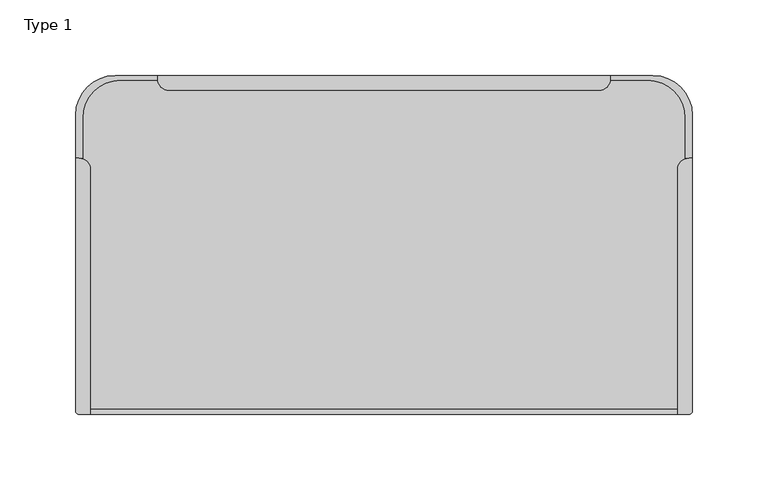
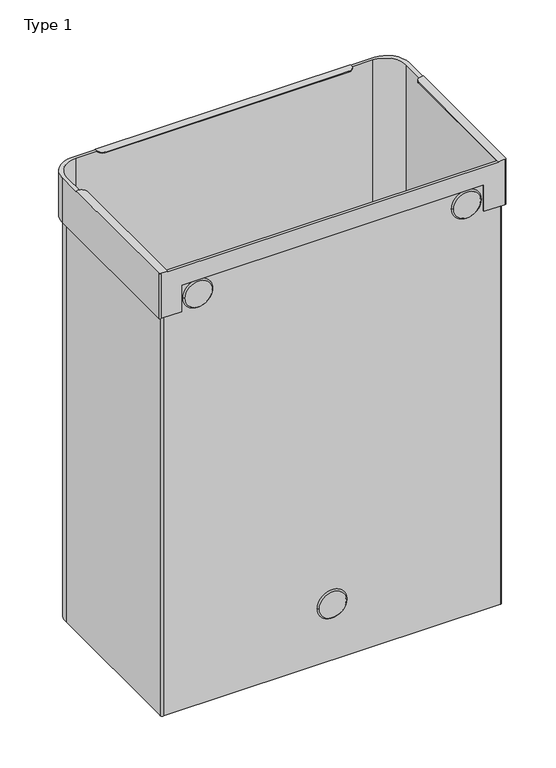
"""IFC4 building model written with IfcOpenShell, lengths in millimetres: furniture geometry, Type 1."""

from ifc_helpers import new_model, si_unit, point, frame, frame_2d, origin, place, context, project, spatial, polyline, circle_curve, trimmed, segment, composite_curve, outline, extrude, source, transform, mapped, element, save
from ifc_brep_helpers import plane_surface, cylinder_surface, revolved_surface, advanced_brep


def type_1_9fc9903c(model_context):
    return source(origin(), model_context, "Body", "SolidModel", [
        advanced_brep(
        [(328.5000019, 273.6750099, 550.0000042), (302.5000019, 299.6750099, 550.0000042), (274.5000016, 299.6750099, 550.0000042), (274.5000016, 297.6750206, 550.0000042), (274.4347669, 296.6748413, 550.0000042), (299.0000021, 296.6748413, 550.0000042), (324.0000021, 271.6748413, 550.0000042), (324.0000021, 244.757705, 550.0000042), (326.5000013, 245.1748482, 550.0000042), (328.5000019, 245.1748482, 550.0000042), (-52.5000144, 299.6750099, 550.0000042), (-78.5000144, 273.6750099, 550.0000042), (-78.5000144, 245.1748482, 550.0000042), (-76.5000013, 245.1748482, 550.0000042), (-74.00001, 244.7577078, 550.0000042), (-74.00001, 271.6748413, 550.0000042), (-49.00001, 296.6748413, 550.0000042), (-24.4347692, 296.6748413, 550.0000042), (-24.5000038, 297.6750206, 550.0000042), (-24.5000038, 299.6750099, 550.0000042), (318.8000013, 79.1748672, 550.0000042), (-68.8000013, 79.1748672, 550.0000042), (-68.8000013, 76.0, 550.0000042), (318.8000013, 76.0, 550.0000042), (328.5000019, 78.0, 494.999982), (326.5000019, 76.0, 494.999982), (302.0000025, 76.0, 494.999982), (302.0000025, 78.1748672, 494.999982), (322.5000021, 78.1748672, 494.999982), (325.0000021, 80.6748672, 494.999982), (325.0000021, 271.6748413, 494.999982), (299.0000021, 297.6748413, 494.999982), (-49.00001, 297.6748413, 494.999982), (-75.00001, 271.6748413, 494.999982), (-75.00001, 80.6748672, 494.999982), (-72.50001, 78.1748672, 494.999982), (-52.5000144, 78.1748672, 494.999982), (-52.5000144, 76.0, 494.999982), (-76.5000144, 76.0, 494.999982), (-78.5000144, 78.0, 494.999982), (-78.5000144, 273.6750099, 494.999982), (-52.5000144, 299.6750099, 494.999982), (302.5000019, 299.6750099, 494.999982), (328.5000019, 273.6750099, 494.999982), (328.5000019, 245.1748482, 551.0000158), (328.5000019, 78.0, 551.0000158), (328.5000019, 78.0, 550.0000042), (-24.5000038, 299.6750099, 551.0000158), (274.5000016, 299.6750099, 551.0000158), (-78.5000144, 78.0, 550.0000042), (-78.5000144, 78.0, 551.0000158), (-78.5000144, 245.1748482, 551.0000158), (-76.5000144, 76.0, 550.0000042), (-52.5000144, 76.0, 527.9166501), (302.0000025, 76.0, 527.9166501), (326.5000019, 76.0, 550.0000042), (326.5000019, 76.0, 551.0000158), (318.8000013, 76.0, 551.0000158), (-68.8000013, 76.0, 551.0000158), (-76.5000019, 76.0, 551.0000158), (325.0000021, 80.6748672, 0.0), (322.5000021, 78.1748672, 0.0), (-72.50001, 78.1748672, 0.0), (-75.00001, 80.6748672, 0.0), (-75.00001, 271.6748413, 0.0), (-49.00001, 297.6748413, 0.0), (299.0000021, 297.6748413, 0.0), (325.0000021, 271.6748413, 0.0), (324.0000021, 271.6748413, 0.0), (299.0000021, 296.6748413, 0.0), (-49.00001, 296.6748413, 0.0), (-74.00001, 271.6748413, 0.0), (-74.00001, 80.6748672, 0.0), (-72.50001, 79.1748672, 0.0), (322.5000021, 79.1748672, 0.0), (324.0000021, 80.6748672, 0.0), (302.0000025, 78.1748672, 527.9166501), (-52.5000144, 78.1748672, 527.9166501), (324.0000021, 80.6748672, 550.0000042), (322.5000021, 79.1748672, 550.0000042), (-72.50001, 79.1748672, 550.0000042), (-74.00001, 80.6748672, 550.0000042), (-24.5000038, 297.6750206, 551.0000158), (-16.8000038, 289.9750206, 551.0000158), (266.8000016, 289.9750206, 551.0000158), (274.5000016, 297.6750206, 551.0000158), (318.8000013, 237.4748482, 551.0000158), (326.5000013, 245.1748482, 551.0000158), (-68.8000013, 237.4748482, 551.0000158), (-76.5000013, 245.1748482, 551.0000158), (266.8000016, 289.9750206, 550.0000042), (-16.8000038, 289.9750206, 550.0000042), (318.8000013, 237.4748482, 550.0000042), (-68.8000013, 237.4748482, 550.0000042)],
        [
            (0, 1, circle_curve(frame((302.5000019, 273.6750099, 550.0000042), z_axis=(0.0, 0.0, 1.0), x_axis=(-1.0, 0.0, 0.0)), 26.0)),
            (1, 2),
            (2, 3),
            (3, 4, circle_curve(frame((266.8000016, 297.6750206, 550.0000042), z_axis=(0.0, 0.0, -1.0), x_axis=(-1.0, 0.0, 0.0)), 7.7)),
            (4, 5),
            (5, 6, circle_curve(frame((299.0000021, 271.6748413, 550.0000042), z_axis=(0.0, 0.0, -1.0), x_axis=(-1.0, 0.0, 0.0)), 25.0)),
            (6, 7),
            (7, 8, circle_curve(frame((326.5000013, 237.4748482, 550.0000042), z_axis=(0.0, 0.0, -1.0), x_axis=(-1.0, 0.0, 0.0)), 7.7)),
            (8, 9),
            (9, 0),
            (10, 11, circle_curve(frame((-52.5000144, 273.6750099, 550.0000042), z_axis=(0.0, 0.0, 1.0), x_axis=(-1.0, 0.0, 0.0)), 26.0)),
            (11, 12),
            (12, 13),
            (13, 14, circle_curve(frame((-76.5000013, 237.4748482, 550.0000042), z_axis=(0.0, 0.0, -1.0), x_axis=(1.0, 0.0, 0.0)), 7.7)),
            (14, 15),
            (15, 16, circle_curve(frame((-49.00001, 271.6748413, 550.0000042), z_axis=(0.0, 0.0, -1.0), x_axis=(-1.0, 0.0, 0.0)), 25.0)),
            (16, 17),
            (17, 18, circle_curve(frame((-16.8000038, 297.6750206, 550.0000042), z_axis=(0.0, 0.0, -1.0), x_axis=(-1.0, 0.0, 0.0)), 7.7)),
            (18, 19),
            (19, 10),
            (20, 21),
            (21, 22),
            (22, 23),
            (23, 20),
            (24, 25, circle_curve(frame((326.5000019, 78.0, 494.999982), z_axis=(0.0, 0.0, -1.0), x_axis=(-1.0, 0.0, 0.0)), 2.0)),
            (25, 26),
            (26, 27),
            (27, 28),
            (28, 29, circle_curve(frame((322.5000021, 80.6748672, 494.999982), z_axis=(0.0, 0.0, 1.0), x_axis=(-1.0, 0.0, 0.0)), 2.5)),
            (29, 30),
            (30, 31, circle_curve(frame((299.0000021, 271.6748413, 494.999982), z_axis=(0.0, 0.0, 1.0), x_axis=(-1.0, 0.0, 0.0)), 26.0)),
            (31, 32),
            (32, 33, circle_curve(frame((-49.00001, 271.6748413, 494.999982), z_axis=(0.0, 0.0, 1.0), x_axis=(-1.0, 0.0, 0.0)), 26.0)),
            (33, 34),
            (34, 35, circle_curve(frame((-72.50001, 80.6748672, 494.999982), z_axis=(0.0, 0.0, 1.0), x_axis=(-1.0, 0.0, 0.0)), 2.5)),
            (35, 36),
            (36, 37),
            (37, 38),
            (38, 39, circle_curve(frame((-76.5000144, 78.0, 494.999982), z_axis=(0.0, 0.0, -1.0), x_axis=(-1.0, 0.0, 0.0)), 2.0)),
            (39, 40),
            (40, 41, circle_curve(frame((-52.5000144, 273.6750099, 494.999982), z_axis=(0.0, 0.0, -1.0), x_axis=(-1.0, 0.0, 0.0)), 26.0)),
            (41, 42),
            (42, 43, circle_curve(frame((302.5000019, 273.6750099, 494.999982), z_axis=(0.0, 0.0, -1.0), x_axis=(-1.0, 0.0, 0.0)), 26.0)),
            (43, 24),
            (43, 0),
            (9, 44),
            (44, 45),
            (45, 46),
            (46, 24),
            (42, 1),
            (41, 10),
            (19, 47),
            (47, 48),
            (48, 2),
            (40, 11),
            (39, 49),
            (49, 50),
            (50, 51),
            (51, 12),
            (38, 52),
            (52, 49, circle_curve(frame((-76.5000144, 78.0, 550.0000042), z_axis=(0.0, 0.0, -1.0), x_axis=(-1.0, 0.0, 0.0)), 2.0)),
            (37, 53),
            (53, 54),
            (54, 26),
            (25, 55),
            (55, 56),
            (56, 57),
            (57, 23),
            (22, 58),
            (58, 59),
            (59, 52),
            (46, 55, circle_curve(frame((326.5000019, 78.0, 550.0000042), z_axis=(0.0, 0.0, -1.0), x_axis=(-1.0, 0.0, 0.0)), 2.0)),
            (60, 61, circle_curve(frame((322.5000021, 80.6748672, 0.0), z_axis=(0.0, 0.0, -1.0), x_axis=(-1.0, 0.0, 0.0)), 2.5)),
            (61, 62),
            (62, 63, circle_curve(frame((-72.50001, 80.6748672, 0.0), z_axis=(0.0, 0.0, -1.0), x_axis=(-1.0, 0.0, 0.0)), 2.5)),
            (63, 64),
            (64, 65, circle_curve(frame((-49.00001, 271.6748413, 0.0), z_axis=(0.0, 0.0, -1.0), x_axis=(-1.0, 0.0, 0.0)), 26.0)),
            (65, 66),
            (66, 67, circle_curve(frame((299.0000021, 271.6748413, 0.0), z_axis=(0.0, 0.0, -1.0), x_axis=(-1.0, 0.0, 0.0)), 26.0)),
            (67, 60),
            (68, 69, circle_curve(frame((299.0000021, 271.6748413, 0.0), z_axis=(0.0, 0.0, 1.0), x_axis=(-1.0, 0.0, 0.0)), 25.0)),
            (69, 70),
            (70, 71, circle_curve(frame((-49.00001, 271.6748413, 0.0), z_axis=(0.0, 0.0, 1.0), x_axis=(-1.0, 0.0, 0.0)), 25.0)),
            (71, 72),
            (72, 73, circle_curve(frame((-72.50001, 80.6748672, 0.0), z_axis=(0.0, 0.0, 1.0), x_axis=(-1.0, 0.0, 0.0)), 1.5)),
            (73, 74),
            (74, 75, circle_curve(frame((322.5000021, 80.6748672, 0.0), z_axis=(0.0, 0.0, 1.0), x_axis=(-1.0, 0.0, 0.0)), 1.5)),
            (75, 68),
            (67, 30),
            (29, 60),
            (66, 31),
            (65, 32),
            (64, 33),
            (63, 34),
            (62, 35),
            (61, 28),
            (27, 76),
            (76, 77),
            (77, 36),
            (75, 78),
            (78, 7),
            (6, 68),
            (74, 79),
            (79, 78, circle_curve(frame((322.5000021, 80.6748672, 550.0000042), z_axis=(0.0, 0.0, 1.0), x_axis=(-1.0, 0.0, 0.0)), 1.5)),
            (73, 80),
            (80, 21),
            (20, 79),
            (72, 81),
            (81, 80, circle_curve(frame((-72.50001, 80.6748672, 550.0000042), z_axis=(0.0, 0.0, 1.0), x_axis=(-1.0, 0.0, 0.0)), 1.5)),
            (71, 15),
            (14, 81),
            (70, 16),
            (69, 5),
            (4, 17),
            (53, 77),
            (76, 54),
            (47, 82),
            (82, 83, circle_curve(frame((-16.8000038, 297.6750206, 551.0000158), z_axis=(0.0, 0.0, 1.0), x_axis=(-1.0, 0.0, 0.0)), 7.7)),
            (83, 84),
            (84, 85, circle_curve(frame((266.8000016, 297.6750206, 551.0000158), z_axis=(0.0, 0.0, 1.0), x_axis=(-1.0, 0.0, 0.0)), 7.7)),
            (85, 48),
            (86, 57),
            (56, 45, circle_curve(frame((326.5000019, 78.0, 551.0000158), z_axis=(0.0, 0.0, 1.0), x_axis=(-1.0, 0.0, 0.0)), 2.0)),
            (44, 87),
            (87, 86, circle_curve(frame((326.5000013, 237.4748482, 551.0000158), z_axis=(0.0, 0.0, 1.0), x_axis=(-1.0, 0.0, 0.0)), 7.7)),
            (88, 89, circle_curve(frame((-76.5000013, 237.4748482, 551.0000158), z_axis=(0.0, 0.0, 1.0), x_axis=(1.0, 0.0, 0.0)), 7.7)),
            (89, 51),
            (50, 59, circle_curve(frame((-76.5000019, 78.0, 551.0000158), z_axis=(0.0, 0.0, 1.0), x_axis=(1.0, 0.0, 0.0)), 2.0)),
            (58, 88),
            (90, 91),
            (91, 17, circle_curve(frame((-16.8000038, 297.6750206, 550.0000042), z_axis=(0.0, 0.0, -1.0), x_axis=(-1.0, 0.0, 0.0)), 7.7)),
            (4, 90, circle_curve(frame((266.8000016, 297.6750206, 550.0000042), z_axis=(0.0, 0.0, -1.0), x_axis=(-1.0, 0.0, 0.0)), 7.7)),
            (92, 7, circle_curve(frame((326.5000013, 237.4748482, 550.0000042), z_axis=(0.0, 0.0, -1.0), x_axis=(-1.0, 0.0, 0.0)), 7.7)),
            (20, 92),
            (93, 21),
            (14, 93, circle_curve(frame((-76.5000013, 237.4748482, 550.0000042), z_axis=(0.0, 0.0, -1.0), x_axis=(1.0, 0.0, 0.0)), 7.7)),
            (18, 82),
            (91, 83),
            (90, 84),
            (3, 85),
            (86, 92),
            (8, 87),
            (88, 93),
            (13, 89),
        ],
        [
            plane_surface(frame((320.0000021, 80.6748672, 550.0000042), z_axis=(0.0, 0.0, 1.0), x_axis=(0.0, 1.0, 0.0))),
            plane_surface(frame((320.0000021, 80.6748672, 494.999982), z_axis=(0.0, 0.0, -1.0), x_axis=(0.0, -1.0, 0.0))),
            plane_surface(frame((328.5000019, 78.0, 550.0000042), z_axis=(1.0, 0.0, 0.0), x_axis=(0.0, 0.0, -1.0))),
            cylinder_surface(frame((302.5000019, 273.6750099, 447.0), z_axis=(0.0, 0.0, 1.0), x_axis=(-1.0, 0.0, 0.0)), 26.0),
            plane_surface(frame((302.5000019, 299.6750099, 550.0000042), z_axis=(0.0, 1.0, 0.0), x_axis=(0.0, 0.0, -1.0))),
            cylinder_surface(frame((-52.5000144, 273.6750099, 447.0), z_axis=(0.0, 0.0, 1.0), x_axis=(-1.0, 0.0, 0.0)), 26.0),
            plane_surface(frame((-78.5000144, 273.6750099, 550.0000042), z_axis=(-1.0, 0.0, 0.0), x_axis=(0.0, 0.0, -1.0))),
            cylinder_surface(frame((-76.5000144, 78.0, 447.0), z_axis=(0.0, 0.0, 1.0), x_axis=(-1.0, 0.0, 0.0)), 2.0),
            plane_surface(frame((-76.5000144, 76.0, 550.0000042), z_axis=(0.0, -1.0, 0.0), x_axis=(0.0, 0.0, -1.0))),
            cylinder_surface(frame((326.5000019, 78.0, 447.0), z_axis=(0.0, 0.0, 1.0), x_axis=(-1.0, 0.0, 0.0)), 2.0),
            plane_surface(frame((325.0000021, 271.6749748, 0.0), z_axis=(0.0, 0.0, -1.0), x_axis=(0.0, -1.0, 0.0))),
            plane_surface(frame((325.0000021, 80.6748672, 550.0000042), z_axis=(1.0, 0.0, 0.0), x_axis=(0.0, 0.0, -1.0))),
            cylinder_surface(frame((299.0000021, 271.6748413, 0.0), z_axis=(0.0, 0.0, 1.0), x_axis=(-1.0, 0.0, 0.0)), 26.0),
            plane_surface(frame((299.0000021, 297.6748413, 550.0000042), z_axis=(0.0, 1.0, 0.0), x_axis=(0.0, 0.0, -1.0))),
            cylinder_surface(frame((-49.00001, 271.6748413, 0.0), z_axis=(0.0, 0.0, 1.0), x_axis=(-1.0, 0.0, 0.0)), 26.0),
            plane_surface(frame((-75.00001, 271.6748413, 550.0000042), z_axis=(-1.0, 0.0, 0.0), x_axis=(0.0, 0.0, -1.0))),
            cylinder_surface(frame((-72.50001, 80.6748672, 0.0), z_axis=(0.0, 0.0, 1.0), x_axis=(-1.0, 0.0, 0.0)), 2.5),
            plane_surface(frame((-72.50001, 78.1748672, 550.0000042), z_axis=(0.0, -1.0, 0.0), x_axis=(0.0, 0.0, -1.0))),
            cylinder_surface(frame((322.5000021, 80.6748672, 0.0), z_axis=(0.0, 0.0, 1.0), x_axis=(-1.0, 0.0, 0.0)), 2.5),
            plane_surface(frame((324.0000021, 271.6748413, 550.0000042), z_axis=(-1.0, 0.0, 0.0), x_axis=(0.0, 0.0, -1.0))),
            revolved_surface(polyline([(321.0000021, 80.6748672, 0.0), (321.0000021, 80.6748672, 550.0000042)]), (322.5000021, 80.6748672, 447.0), (0.0, 0.0, -1.0)),
            plane_surface(frame((322.5000021, 79.1748672, 550.0000042), z_axis=(0.0, 1.0, 0.0), x_axis=(0.0, 0.0, -1.0))),
            revolved_surface(polyline([(-74.00001, 80.6748672, 0.0), (-74.00001, 80.6748672, 550.0000042)]), (-72.50001, 80.6748672, 447.0), (0.0, 0.0, -1.0)),
            plane_surface(frame((-74.00001, 80.6748672, 550.0000042), z_axis=(1.0, 0.0, 0.0), x_axis=(0.0, 0.0, -1.0))),
            revolved_surface(polyline([(-74.00001, 271.6748413, 0.0), (-74.00001, 271.6748413, 550.0000042)]), (-49.00001, 271.6748413, 447.0), (0.0, 0.0, -1.0)),
            plane_surface(frame((-49.00001, 296.6748413, 550.0000042), z_axis=(0.0, -1.0, 0.0), x_axis=(0.0, 0.0, -1.0))),
            revolved_surface(polyline([(274.0000021, 271.6748413, 0.0), (274.0000021, 271.6748413, 550.0000042)]), (299.0000021, 271.6748413, 447.0), (0.0, 0.0, -1.0)),
            plane_surface(frame((-52.5000144, 78.1748672, 527.9166501), z_axis=(0.0, 0.0, -1.0), x_axis=(0.0, -1.0, 0.0))),
            plane_surface(frame((302.0000025, 78.1748672, 527.9166501), z_axis=(-1.0, 0.0, 0.0), x_axis=(0.0, -1.0, 0.0))),
            plane_surface(frame((-52.5000144, 78.1748672, 487.9166501), z_axis=(1.0, 0.0, 0.0), x_axis=(0.0, -1.0, 0.0))),
            plane_surface(frame((-24.5000038, 299.6750099, 551.0000158), z_axis=(0.0, 0.0, 1.0), x_axis=(0.0, -1.0, 0.0))),
            plane_surface(frame((-24.5000038, 299.6750099, 550.0000042), z_axis=(0.0, 0.0, -1.0), x_axis=(0.0, 1.0, 0.0))),
            plane_surface(frame((-24.5000038, 299.6750099, 551.0000158), z_axis=(-1.0, 0.0, 0.0), x_axis=(0.0, 0.0, -1.0))),
            cylinder_surface(frame((-16.8000038, 297.6750206, 550.0000042), z_axis=(0.0, 0.0, 1.0), x_axis=(-1.0, 0.0, 0.0)), 7.7),
            plane_surface(frame((-16.8000038, 289.9750206, 551.0000158), z_axis=(0.0, -1.0, 0.0), x_axis=(0.0, 0.0, -1.0))),
            cylinder_surface(frame((266.8000016, 297.6750206, 550.0000042), z_axis=(0.0, 0.0, 1.0), x_axis=(-1.0, 0.0, 0.0)), 7.7),
            plane_surface(frame((274.5000016, 297.6750206, 551.0000158), z_axis=(1.0, 0.0, 0.0), x_axis=(0.0, 0.0, -1.0))),
            plane_surface(frame((318.8000013, 237.4748482, 551.0000158), z_axis=(-1.0, 0.0, 0.0), x_axis=(0.0, 0.0, -1.0))),
            plane_surface(frame((328.5000019, 245.1748482, 551.0000158), z_axis=(0.0, 1.0, 0.0), x_axis=(0.0, 0.0, -1.0))),
            cylinder_surface(frame((326.5000013, 237.4748482, 447.0), z_axis=(0.0, 0.0, 1.0), x_axis=(-1.0, 0.0, 0.0)), 7.7),
            cylinder_surface(frame((-76.5000013, 237.4748482, 447.0), z_axis=(0.0, 0.0, 1.0), x_axis=(1.0, 0.0, 0.0)), 7.7),
            plane_surface(frame((-76.5000013, 245.1748482, 551.0000158), z_axis=(0.0, 1.0, 0.0), x_axis=(0.0, 0.0, -1.0))),
            cylinder_surface(frame((-76.5000019, 78.0, 447.0), z_axis=(0.0, 0.0, 1.0), x_axis=(1.0, 0.0, 0.0)), 2.0),
            plane_surface(frame((-68.8000013, 76.0, 551.0000158), z_axis=(1.0, 0.0, 0.0), x_axis=(0.0, 0.0, -1.0))),
        ],
        [
            (0, [[1, 2, 3, 4, 5, 6, 7, 8, 9, 10]]),
            (0, [[11, 12, 13, 14, 15, 16, 17, 18, 19, 20]]),
            (0, [[21, 22, 23, 24]]),
            (1, [[25, 26, 27, 28, 29, 30, 31, 32, 33, 34, 35, 36, 37, 38, 39, 40, 41, 42, 43, 44]]),
            (2, [[-44, 45, -10, 46, 47, 48, 49]]),
            (3, [[-1, -45, -43, 50]]),
            (4, [[-42, 51, -20, 52, 53, 54, -2, -50]]),
            (5, [[-11, -51, -41, 55]]),
            (6, [[-40, 56, 57, 58, 59, -12, -55]]),
            (7, [[-39, 60, 61, -56]]),
            (8, [[-60, -38, 62, 63, 64, -26, 65, 66, 67, 68, -23, 69, 70, 71]]),
            (9, [[-25, -49, 72, -65]]),
            (10, [[73, 74, 75, 76, 77, 78, 79, 80], [81, 82, 83, 84, 85, 86, 87, 88]]),
            (11, [[-80, 89, -30, 90]]),
            (12, [[-79, 91, -31, -89]]),
            (13, [[-78, 92, -32, -91]]),
            (14, [[-77, 93, -33, -92]]),
            (15, [[-76, 94, -34, -93]]),
            (16, [[-75, 95, -35, -94]]),
            (17, [[-74, 96, -28, 97, 98, 99, -36, -95]]),
            (18, [[-73, -90, -29, -96]]),
            (19, [[-88, 100, 101, -7, 102]]),
            (20, [[-87, 103, 104, -100]]),
            (21, [[-86, 105, 106, -21, 107, -103]]),
            (22, [[-85, 108, 109, -105]]),
            (23, [[-84, 110, -15, 111, -108]]),
            (24, [[-16, -110, -83, 112]]),
            (25, [[-82, 113, -5, 114, -17, -112]]),
            (26, [[-6, -113, -81, -102]]),
            (27, [[115, -98, 116, -63]]),
            (28, [[-116, -97, -27, -64]]),
            (29, [[-115, -62, -37, -99]]),
            (30, [[117, 118, 119, 120, 121, -53]]),
            (30, [[122, -67, 123, -47, 124, 125]]),
            (30, [[126, 127, -58, 128, -70, 129]]),
            (31, [[130, 131, -114, 132]]),
            (31, [[133, -101, -104, -107, 134]]),
            (31, [[135, -106, -109, -111, 136]]),
            (32, [[-117, -52, -19, 137]]),
            (33, [[-118, -137, -18, -131, 138]]),
            (34, [[-119, -138, -130, 139]]),
            (35, [[-120, -139, -132, -4, 140]]),
            (36, [[-121, -140, -3, -54]]),
            (37, [[-122, 141, -134, -24, -68]]),
            (9, [[-123, -66, -72, -48]]),
            (38, [[-124, -46, -9, 142]]),
            (39, [[-125, -142, -8, -133, -141]]),
            (40, [[-126, 143, -136, -14, 144]]),
            (41, [[-127, -144, -13, -59]]),
            (42, [[-128, -57, -61, -71]]),
            (43, [[-129, -69, -22, -135, -143]]),
        ],
    ),
        advanced_brep(
        [(140.874998, 76.0, 70.0000014), (109.125002, 76.0, 70.0000014), (143.0499999, 78.1748672, 70.0000014), (106.9500001, 78.1748672, 70.0000014)],
        [
            (0, 1, circle_curve(frame((125.0, 76.0, 70.0000014), z_axis=(0.0, -1.0, 0.0), x_axis=(1.0, 0.0, 0.0)), 15.874998)),
            (1, 0, circle_curve(frame((125.0, 76.0, 70.0000014), z_axis=(0.0, -1.0, 0.0), x_axis=(-1.0, 0.0, 0.0)), 15.874998)),
            (2, 3, circle_curve(frame((125.0, 78.1748672, 70.0000014), z_axis=(0.0, 1.0, 0.0), x_axis=(-1.0, 0.0, 0.0)), 18.0499999)),
            (3, 2, circle_curve(frame((125.0, 78.1748672, 70.0000014), z_axis=(0.0, 1.0, 0.0), x_axis=(1.0, 0.0, 0.0)), 18.0499999)),
            (2, 0),
            (1, 3),
        ],
        [
            plane_surface(frame((125.0, 76.0, 70.0000014), z_axis=(0.0, -1.0, 0.0), x_axis=(0.0, 0.0, -1.0))),
            plane_surface(frame((125.0, 78.1748672, 70.0000014), z_axis=(0.0, 1.0, 0.0), x_axis=(0.0, 0.0, -1.0))),
            revolved_surface(polyline([(109.12500194526733, 76.0, 70.0000014), (106.9500001, 78.1748672, 70.0000014)]), (125.0, 60.1259847, 70.0000014), (0.0, 1.0, 0.0)),
            revolved_surface(polyline([(140.87499805473266, 76.0, 70.0000014), (143.0499999, 78.1748672, 70.0000014)]), (125.0, 60.1259847, 70.0000014), (0.0, 1.0, 0.0)),
        ],
        [
            (0, [[1, 2]]),
            (1, [[3, 4]]),
            (2, [[-3, 5, -2, 6]]),
            (3, [[-4, -6, -1, -5]]),
        ],
    ),
        advanced_brep(
        [(-48.3749994, 76.0, 509.999993), (-16.6250034, 76.0, 509.999993), (-50.5500013, 78.1748672, 509.999993), (-14.4500015, 78.1748672, 509.999993)],
        [
            (0, 1, circle_curve(frame((-32.5000014, 76.0, 509.999993), z_axis=(0.0, -1.0, 0.0), x_axis=(-1.0, 0.0, 0.0)), 15.874998)),
            (1, 0, circle_curve(frame((-32.5000014, 76.0, 509.999993), z_axis=(0.0, -1.0, 0.0), x_axis=(1.0, 0.0, 0.0)), 15.874998)),
            (2, 3, circle_curve(frame((-32.5000014, 78.1748672, 509.999993), z_axis=(0.0, 1.0, 0.0), x_axis=(1.0, 0.0, 0.0)), 18.0499999)),
            (3, 2, circle_curve(frame((-32.5000014, 78.1748672, 509.999993), z_axis=(0.0, 1.0, 0.0), x_axis=(-1.0, 0.0, 0.0)), 18.0499999)),
            (3, 1),
            (0, 2),
        ],
        [
            plane_surface(frame((-32.5000014, 76.0, 509.999993), z_axis=(0.0, -1.0, 0.0), x_axis=(0.0, 0.0, 1.0))),
            plane_surface(frame((-32.5000014, 78.1748672, 509.999993), z_axis=(0.0, 1.0, 0.0), x_axis=(0.0, 0.0, 1.0))),
            revolved_surface(polyline([(-48.374999454732674, 76.0, 509.999993), (-50.5500013, 78.1748672, 509.999993)]), (-32.5000014, 60.1259847, 509.999993), (0.0, 1.0, 0.0)),
            revolved_surface(polyline([(-16.625003345267327, 76.0, 509.999993), (-14.450001499999999, 78.1748672, 509.999993)]), (-32.5000014, 60.1259847, 509.999993), (0.0, 1.0, 0.0)),
        ],
        [
            (0, [[1, 2]]),
            (1, [[3, 4]]),
            (2, [[-4, 5, -1, 6]]),
            (3, [[-3, -6, -2, -5]]),
        ],
    ),
        advanced_brep(
        [(298.3749994, 76.0, 509.999993), (266.6250034, 76.0, 509.999993), (300.5500013, 78.1748672, 509.999993), (264.4500015, 78.1748672, 509.999993)],
        [
            (0, 1, circle_curve(frame((282.5000014, 76.0, 509.999993), z_axis=(0.0, -1.0, 0.0), x_axis=(1.0, 0.0, 0.0)), 15.874998)),
            (1, 0, circle_curve(frame((282.5000014, 76.0, 509.999993), z_axis=(0.0, -1.0, 0.0), x_axis=(-1.0, 0.0, 0.0)), 15.874998)),
            (2, 3, circle_curve(frame((282.5000014, 78.1748672, 509.999993), z_axis=(0.0, 1.0, 0.0), x_axis=(-1.0, 0.0, 0.0)), 18.0499999)),
            (3, 2, circle_curve(frame((282.5000014, 78.1748672, 509.999993), z_axis=(0.0, 1.0, 0.0), x_axis=(1.0, 0.0, 0.0)), 18.0499999)),
            (2, 0),
            (1, 3),
        ],
        [
            plane_surface(frame((282.5000014, 76.0, 509.999993), z_axis=(0.0, -1.0, 0.0), x_axis=(0.0, 0.0, -1.0))),
            plane_surface(frame((282.5000014, 78.1748672, 509.999993), z_axis=(0.0, 1.0, 0.0), x_axis=(0.0, 0.0, -1.0))),
            revolved_surface(polyline([(266.6250033452673, 76.0, 509.999993), (264.4500015, 78.1748672, 509.999993)]), (282.5000014, 60.1259847, 509.999993), (0.0, 1.0, 0.0)),
            revolved_surface(polyline([(298.3749994547327, 76.0, 509.999993), (300.5500013, 78.1748672, 509.999993)]), (282.5000014, 60.1259847, 509.999993), (0.0, 1.0, 0.0)),
        ],
        [
            (0, [[1, 2]]),
            (1, [[3, 4]]),
            (2, [[-3, 5, -2, 6]]),
            (3, [[-4, -6, -1, -5]]),
        ],
    ),
        extrude(outline(composite_curve([segment(polyline([(324.0000021, 271.6748413), (324.0000021, 80.6748672)]), True, "CONTINUOUS"), segment(trimmed(circle_curve(frame_2d((322.5000021, 80.6748672)), 1.5), [point((324.0000021, 80.6748672))], [point((322.5000021, 79.1748672))], False, "CARTESIAN"), True, "CONTINUOUS"), segment(polyline([(322.5000021, 79.1748672), (-72.50001, 79.1748672)]), True, "CONTINUOUS"), segment(trimmed(circle_curve(frame_2d((-72.50001, 80.6748672)), 1.5), [point((-72.50001, 79.1748672))], [point((-74.00001, 80.6748672))], False, "CARTESIAN"), True, "CONTINUOUS"), segment(polyline([(-74.00001, 80.6748672), (-74.00001, 271.6748413)]), True, "CONTINUOUS"), segment(trimmed(circle_curve(frame_2d((-49.00001, 271.6748413)), 25.0), [point((-74.00001, 271.6748413))], [point((-49.00001, 296.6748413))], False, "CARTESIAN"), True, "CONTINUOUS"), segment(polyline([(-49.00001, 296.6748413), (299.0000021, 296.6748413)]), True, "CONTINUOUS"), segment(trimmed(circle_curve(frame_2d((299.0000021, 271.6748413)), 25.0), [point((299.0000021, 296.6748413))], [point((324.0000021, 271.6748413))], False, "CARTESIAN"), True, "CONTINUOUS")], self_intersect=False)), frame((0.0, 0.0, 15.6000005), z_axis=(0.0, 0.0, 1.0), x_axis=(1.0, 0.0, 0.0)), (0.0, 0.0, 1.0), 0.9999991),
    ])


if __name__ == "__main__":
    model = new_model("IFC4")
    model_context = context("Model", 3, world=origin())
    ifc_project = project(units=[si_unit("LENGTHUNIT", "METRE", prefix="MILLI")], contexts=[model_context])
    site = spatial("IfcSite", under=ifc_project)
    building = spatial("IfcBuilding", under=site)
    placement = place(None, origin())
    type_1_shape = type_1_9fc9903c(model_context)
    element("IfcFurniture", 1, ObjectType="Type 1", at=placement, inside=building, context=model_context, shape_type="MappedRepresentation", body=[
        mapped(type_1_shape, transform((0.0, 0.0, 0.0), x_axis=(1.0, 0.0, 0.0), y_axis=(0.0, 1.0, 0.0), z_axis=(0.0, 0.0, 1.0))),
    ])
    save(model, "model.ifc")
